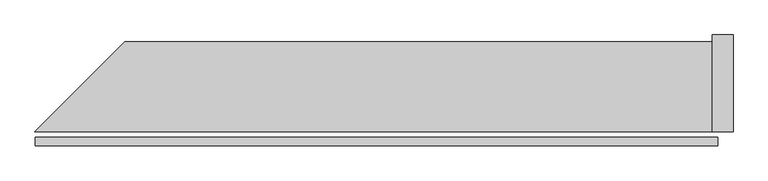
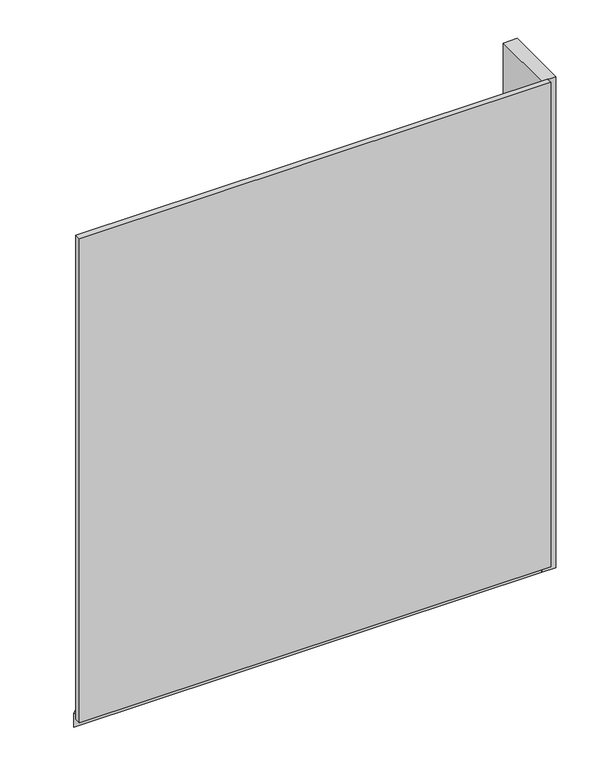
"""IFC4 building model written with IfcOpenShell, lengths in millimetres: plate geometry."""

from ifc_helpers import new_model, si_unit, frame, origin, origin_with_axes, place, context, project, spatial, polyline, outline, extrude, source, transform, mapped, element, save


def plate_667ee88a(model_context):
    return source(origin(), model_context, "Body", "SweptSolid", [
        extrude(outline(polyline([(986.5, 0.0), (-986.5, 0.0), (-986.5, 25.0), (986.5, 25.0), (986.5, 0.0)])), origin_with_axes(), (0.0, 0.0, 1.0), 2142.0),
        extrude(outline(polyline([(971.5, 301.0), (971.5, 41.0), (-987.0735931, 41.0), (-727.0735931, 301.0), (971.5, 301.0)])), frame((0.0, 0.0, -45.0), z_axis=(0.0, 0.0, 1.0), x_axis=(1.0, 0.0, 0.0)), (0.0, 0.0, 1.0), 60.0),
        extrude(outline(polyline([(1031.5, 41.0), (971.5, 41.0), (971.5, 321.0), (1031.5, 321.0), (1031.5, 41.0)])), frame((0.0, 0.0, -45.0), z_axis=(0.0, 0.0, 1.0), x_axis=(1.0, 0.0, 0.0)), (0.0, 0.0, 1.0), 2172.0),
    ])


if __name__ == "__main__":
    model = new_model("IFC4")
    model_context = context("Model", 3, world=origin())
    ifc_project = project(units=[si_unit("LENGTHUNIT", "METRE", prefix="MILLI")], contexts=[model_context])
    site = spatial("IfcSite", under=ifc_project)
    building = spatial("IfcBuilding", under=site)
    placement = place(None, origin())
    plate_shape = plate_667ee88a(model_context)
    element("IfcPlate", 1, at=placement, inside=building, context=model_context, shape_type="MappedRepresentation", body=[
        mapped(plate_shape, transform((0.0, 0.0, 0.0), x_axis=(1.0, 0.0, 0.0), y_axis=(0.0, 1.0, 0.0), z_axis=(0.0, 0.0, 1.0))),
    ])
    save(model, "model.ifc")
